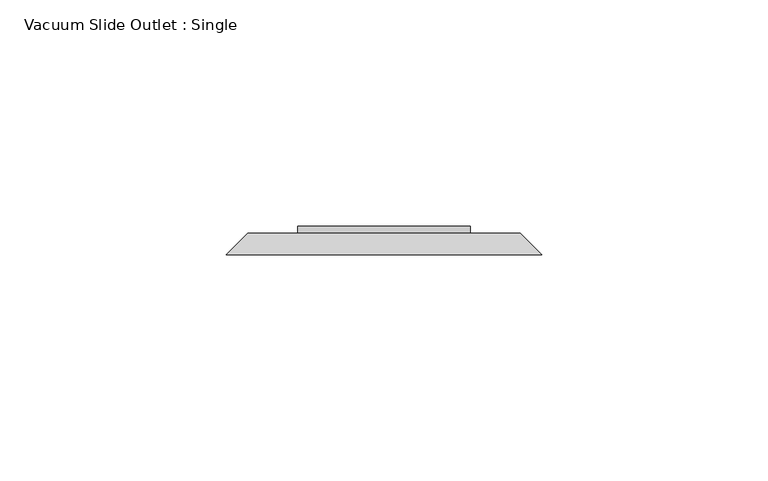
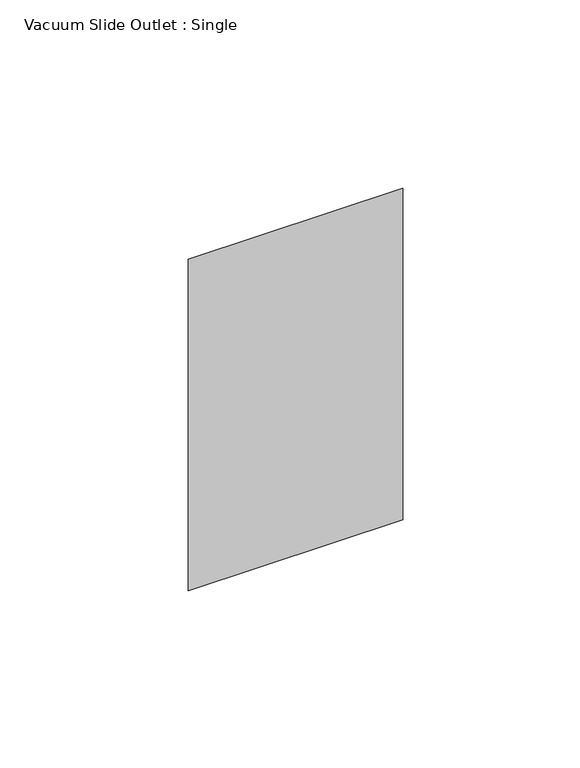
"""IFC4 building model written with IfcOpenShell, lengths in millimetres: proxy geometry, Vacuum Slide Outlet : Single."""

from ifc_helpers import new_model, si_unit, frame, origin, place, context, project, spatial, polyline, outline, extrude, faceted_brep, source, transform, mapped, element, save


def vacuum_slide_outlet_single_058b4258(model_context):
    return source(origin(), model_context, "Body", "SolidModel", [
        extrude(outline(polyline([(19.05, 66.675), (-19.05, 66.675), (-19.05, 68.2625), (19.05, 68.2625), (19.05, 66.675)])), frame((0.0, 0.0, 260.35), z_axis=(0.0, 0.0, 1.0), x_axis=(1.0, 0.0, 0.0)), (0.0, 0.0, 1.0), 88.9),
        faceted_brep([(-30.1625, 66.675, 357.1875), (30.1625, 66.675, 357.1875), (30.1625, 66.675, 252.4125), (-30.1625, 66.675, 252.4125), (-34.925, 61.9125, 361.95), (-34.925, 61.9125, 247.65), (34.925, 61.9125, 247.65), (34.925, 61.9125, 361.95)], [[[0, 1, 2, 3]], [[4, 5, 6, 7]], [[4, 7, 1, 0]], [[7, 6, 2, 1]], [[6, 5, 3, 2]], [[5, 4, 0, 3]]]),
    ])


if __name__ == "__main__":
    model = new_model("IFC4")
    model_context = context("Model", 3, world=origin())
    ifc_project = project(units=[si_unit("LENGTHUNIT", "METRE", prefix="MILLI")], contexts=[model_context])
    site = spatial("IfcSite", under=ifc_project)
    building = spatial("IfcBuilding", under=site)
    placement = place(None, origin())
    vacuum_slide_outlet_single_shape = vacuum_slide_outlet_single_058b4258(model_context)
    element("IfcBuildingElementProxy", 1, Name="Vacuum Slide Outlet : Single", ObjectType="Vacuum Slide Outlet : Single", at=placement, inside=building, context=model_context, shape_type="MappedRepresentation", body=[
        mapped(vacuum_slide_outlet_single_shape, transform((0.0, 0.0, 0.0), x_axis=(1.0, 0.0, 0.0), y_axis=(0.0, 1.0, 0.0), z_axis=(0.0, 0.0, 1.0))),
    ])
    save(model, "model.ifc")
